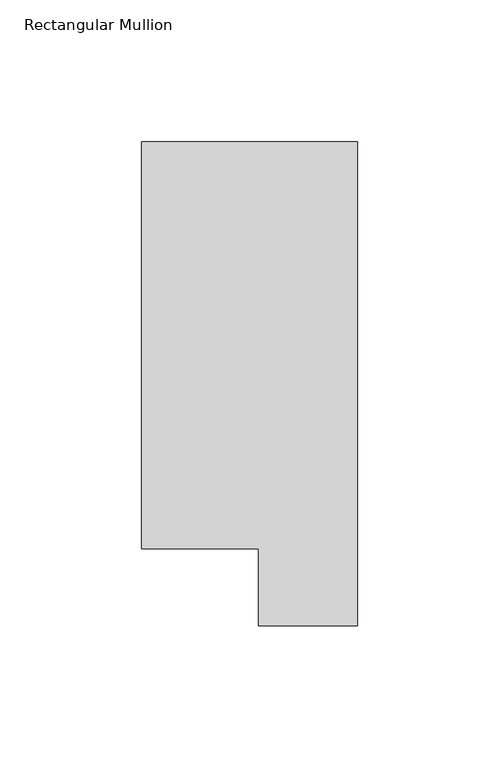
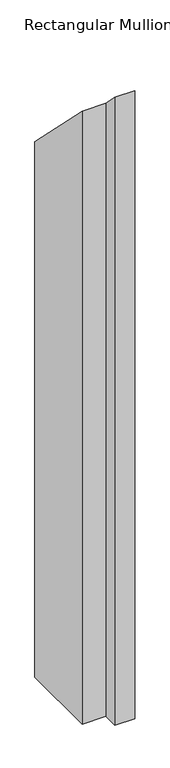
"""IFC4 building model written with IfcOpenShell, lengths in millimetres: member geometry, Rectangular Mullion."""

from ifc_helpers import new_model, si_unit, origin, place, context, project, spatial, faceted_brep, source, transform, mapped, element, save


def rectangular_mullion_3be0023d(model_context):
    return source(origin(), model_context, "Body", "Brep", [
        faceted_brep([(0.0, 190.2801312, -1181.4194229), (0.0, 19.5667312, -1181.4194229), (-34.9123, 19.5667312, -1181.4194229), (-34.9123, 46.7447302, -1181.4194229), (-76.2, 46.7447302, -1181.4194229), (-76.2, 190.2801312, -1181.4194229), (-76.2, 190.2801312, -190.2801312), (0.0, 190.2801312, -190.2801312), (-76.2, 46.7447302, -46.7447302), (-34.9123, 46.7447302, -46.7447302), (-34.9123, 19.5667312, -19.5667312), (0.0, 19.5667312, -19.5667312)], [[[0, 1, 2, 3, 4, 5]], [[6, 7, 0, 5]], [[8, 6, 5, 4]], [[9, 8, 4, 3]], [[10, 9, 3, 2]], [[11, 10, 2, 1]], [[7, 11, 1, 0]], [[7, 6, 8, 9, 10, 11]]]),
    ])


if __name__ == "__main__":
    model = new_model("IFC4")
    model_context = context("Model", 3, world=origin())
    ifc_project = project(units=[si_unit("LENGTHUNIT", "METRE", prefix="MILLI")], contexts=[model_context])
    site = spatial("IfcSite", under=ifc_project)
    building = spatial("IfcBuilding", under=site)
    placement = place(None, origin())
    rectangular_mullion_shape = rectangular_mullion_3be0023d(model_context)
    element("IfcMember", 1, ObjectType="Rectangular Mullion", at=placement, inside=building, context=model_context, shape_type="MappedRepresentation", body=[
        mapped(rectangular_mullion_shape, transform((0.0, 0.0, 0.0), x_axis=(1.0, 0.0, 0.0), y_axis=(0.0, 1.0, 0.0), z_axis=(0.0, 0.0, 1.0))),
    ])
    save(model, "model.ifc")
